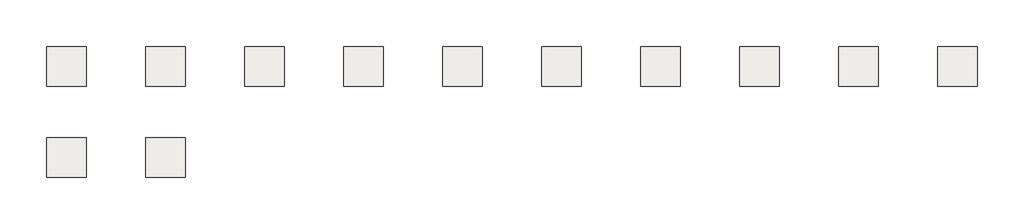
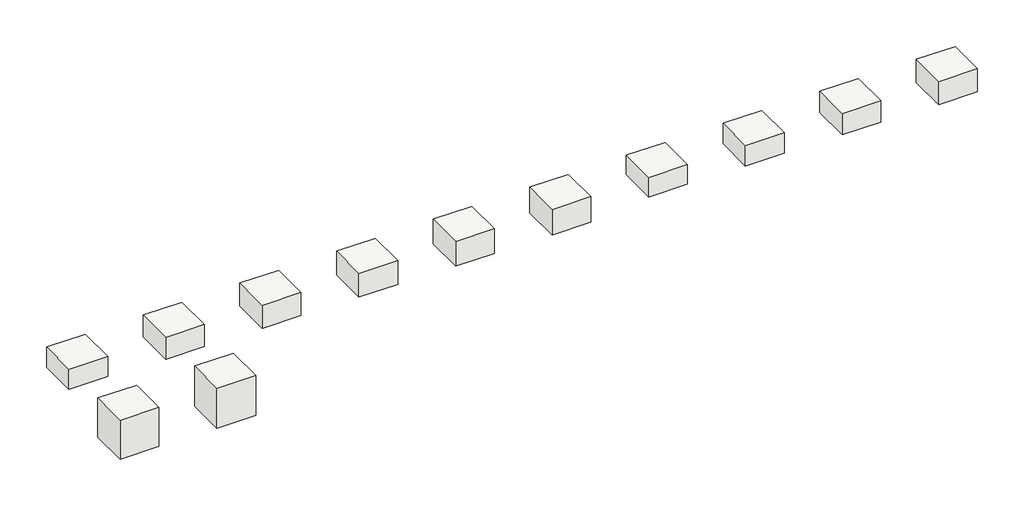
# One storey: 12 slabs.
"""IFC4 building model written with IfcOpenShell, lengths in millimetres."""

from ifc_helpers import new_model, si_unit, frame, origin, place, context, project, spatial, polyline, outline, extrude, element, save

model = new_model("IFC4")

# Units and contexts
model_context = context("Model", 3, world=origin())
ifc_project = project(units=[si_unit("LENGTHUNIT", "METRE", prefix="MILLI")], contexts=[model_context])

# Site, building, storey
site = spatial("IfcSite", under=ifc_project)
building = spatial("IfcBuilding", under=site)
storey = spatial("IfcBuildingStorey", under=building, Elevation=19812.0)

# Slabs
placement = place(None, origin())
element("IfcSlab", 1, at=placement, inside=storey, context=model_context, shape_type="SweptSolid", body=[
    extrude(outline(polyline([(-8941.0867181, 10086.8916354), (-8941.0867181, 7038.8916354), (-11989.0867181, 7038.8916354), (-11989.0867181, 10086.8916354), (-8941.0867181, 10086.8916354)])), frame((0.0, 0.0, 18130.5199799), z_axis=(0.0, 0.0, 1.0), x_axis=(1.0, 0.0, 0.0)), (0.0, 0.0, 1.0), 1681.4800201),
])
element("IfcSlab", 2, at=placement, inside=storey, context=model_context, shape_type="SweptSolid", body=[
    extrude(outline(polyline([(-1321.0867181, 10086.8916354), (-1321.0867181, 7038.8916354), (-4369.0867181, 7038.8916354), (-4369.0867181, 10086.8916354), (-1321.0867181, 10086.8916354)])), frame((0.0, 0.0, 17978.1199799), z_axis=(0.0, 0.0, 1.0), x_axis=(1.0, 0.0, 0.0)), (0.0, 0.0, 1.0), 1833.8800201),
])
element("IfcSlab", 3, at=placement, inside=storey, context=model_context, shape_type="SweptSolid", body=[
    extrude(outline(polyline([(6298.9132819, 10086.8916354), (6298.9132819, 7038.8916354), (3250.9132819, 7038.8916354), (3250.9132819, 10086.8916354), (6298.9132819, 10086.8916354)])), frame((0.0, 0.0, 17901.9199799), z_axis=(0.0, 0.0, 1.0), x_axis=(1.0, 0.0, 0.0)), (0.0, 0.0, 1.0), 1910.0800201),
])
element("IfcSlab", 4, at=placement, inside=storey, context=model_context, shape_type="SweptSolid", body=[
    extrude(outline(polyline([(13918.9132819, 10086.8916354), (13918.9132819, 7038.8916354), (10870.9132819, 7038.8916354), (10870.9132819, 10086.8916354), (13918.9132819, 10086.8916354)])), frame((0.0, 0.0, 17825.7199799), z_axis=(0.0, 0.0, 1.0), x_axis=(1.0, 0.0, 0.0)), (0.0, 0.0, 1.0), 1986.2800201),
])
element("IfcSlab", 5, at=placement, inside=storey, context=model_context, shape_type="SweptSolid", body=[
    extrude(outline(polyline([(21538.9132819, 10086.8916354), (21538.9132819, 7038.8916354), (18490.9132819, 7038.8916354), (18490.9132819, 10086.8916354), (21538.9132819, 10086.8916354)])), frame((0.0, 0.0, 17749.5199799), z_axis=(0.0, 0.0, 1.0), x_axis=(1.0, 0.0, 0.0)), (0.0, 0.0, 1.0), 2062.4800201),
])
element("IfcSlab", 6, at=placement, inside=storey, context=model_context, shape_type="SweptSolid", body=[
    extrude(outline(polyline([(29158.9132819, 10086.8916354), (29158.9132819, 7038.8916354), (26110.9132819, 7038.8916354), (26110.9132819, 10086.8916354), (29158.9132819, 10086.8916354)])), frame((0.0, 0.0, 17673.3199799), z_axis=(0.0, 0.0, 1.0), x_axis=(1.0, 0.0, 0.0)), (0.0, 0.0, 1.0), 2138.6800201),
])
element("IfcSlab", 7, at=placement, inside=storey, context=model_context, shape_type="SweptSolid", body=[
    extrude(outline(polyline([(36778.9132819, 10086.8916354), (36778.9132819, 7038.8916354), (33730.9132819, 7038.8916354), (33730.9132819, 10086.8916354), (36778.9132819, 10086.8916354)])), frame((0.0, 0.0, 18181.3199314), z_axis=(0.0, 0.0, 1.0), x_axis=(1.0, 0.0, 0.0)), (0.0, 0.0, 1.0), 1630.6800686),
])
element("IfcSlab", 8, at=placement, inside=storey, context=model_context, shape_type="SweptSolid", body=[
    extrude(outline(polyline([(44398.9132819, 10086.8916354), (44398.9132819, 7038.8916354), (41350.9132819, 7038.8916354), (41350.9132819, 10086.8916354), (44398.9132819, 10086.8916354)])), frame((0.0, 0.0, 18105.1199314), z_axis=(0.0, 0.0, 1.0), x_axis=(1.0, 0.0, 0.0)), (0.0, 0.0, 1.0), 1706.8800686),
])
element("IfcSlab", 9, at=placement, inside=storey, context=model_context, shape_type="SweptSolid", body=[
    extrude(outline(polyline([(52018.9132819, 10086.8916354), (52018.9132819, 7038.8916354), (48970.9132819, 7038.8916354), (48970.9132819, 10086.8916354), (52018.9132819, 10086.8916354)])), frame((0.0, 0.0, 18028.9199314), z_axis=(0.0, 0.0, 1.0), x_axis=(1.0, 0.0, 0.0)), (0.0, 0.0, 1.0), 1783.0800686),
])
element("IfcSlab", 10, at=placement, inside=storey, context=model_context, shape_type="SweptSolid", body=[
    extrude(outline(polyline([(59638.9132819, 10086.8916354), (59638.9132819, 7038.8916354), (56590.9132819, 7038.8916354), (56590.9132819, 10086.8916354), (59638.9132819, 10086.8916354)])), frame((0.0, 0.0, 17876.5199314), z_axis=(0.0, 0.0, 1.0), x_axis=(1.0, 0.0, 0.0)), (0.0, 0.0, 1.0), 1935.4800686),
])
element("IfcSlab", 11, at=placement, inside=storey, context=model_context, shape_type="SweptSolid", body=[
    extrude(outline(polyline([(-8941.0867181, 3076.4916354), (-8941.0867181, 28.4916354), (-11989.0867181, 28.4916354), (-11989.0867181, 3076.4916354), (-8941.0867181, 3076.4916354)])), frame((0.0, 0.0, 16548.0999992), z_axis=(0.0, 0.0, 1.0), x_axis=(1.0, 0.0, 0.0)), (0.0, 0.0, 1.0), 3263.9000008),
])
element("IfcSlab", 12, at=placement, inside=storey, context=model_context, shape_type="SweptSolid", body=[
    extrude(outline(polyline([(-1321.0867181, 3076.4916354), (-1321.0867181, 28.4916354), (-4369.0867181, 28.4916354), (-4369.0867181, 3076.4916354), (-1321.0867181, 3076.4916354)])), frame((0.0, 0.0, 16471.8999992), z_axis=(0.0, 0.0, 1.0), x_axis=(1.0, 0.0, 0.0)), (0.0, 0.0, 1.0), 3340.1000008),
])

save(model, "model.ifc")
